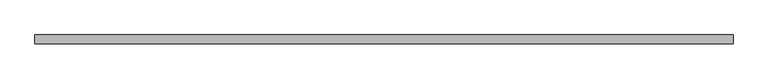
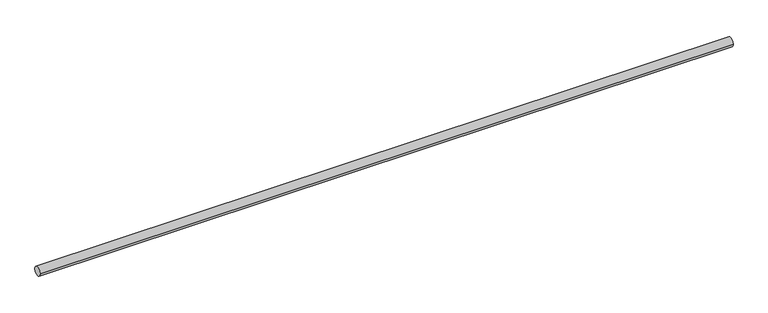
"""IFC4 building model written with IfcOpenShell, lengths in millimetres: proxy geometry."""

from ifc_helpers import new_model, si_unit, point, frame, frame_2d, origin, place, context, project, spatial, circle_curve, trimmed, segment, composite_curve, outline, extrude, source, transform, mapped, element, save


def generic_models_0cc0da8e(model_context):
    return source(origin(), model_context, "Body", "SweptSolid", [
        extrude(outline(composite_curve([segment(trimmed(circle_curve(frame_2d((-5277.3114392, 3909.32)), 17.45), [point((-5294.7614392, 3909.32))], [point((-5259.8614392, 3909.32))], False, "CARTESIAN"), True, "CONTINUOUS"), segment(trimmed(circle_curve(frame_2d((-5277.3114392, 3909.32)), 17.45), [point((-5259.8614392, 3909.32))], [point((-5294.7614392, 3909.32))], False, "CARTESIAN"), True, "CONTINUOUS")], self_intersect=False)), frame((4445.5368349, 0.0, 0.0), z_axis=(1.0, 0.0, 0.0), x_axis=(0.0, 1.0, 0.0)), (0.0, 0.0, 1.0), 2700.0),
    ])


if __name__ == "__main__":
    model = new_model("IFC4")
    model_context = context("Model", 3, world=origin())
    ifc_project = project(units=[si_unit("LENGTHUNIT", "METRE", prefix="MILLI")], contexts=[model_context])
    site = spatial("IfcSite", under=ifc_project)
    building = spatial("IfcBuilding", under=site)
    placement = place(None, origin())
    generic_models_shape = generic_models_0cc0da8e(model_context)
    element("IfcBuildingElementProxy", 1, Name="Generic Models", at=placement, inside=building, context=model_context, shape_type="MappedRepresentation", body=[
        mapped(generic_models_shape, transform((0.0, 0.0, 0.0), x_axis=(1.0, 0.0, 0.0), y_axis=(0.0, 1.0, 0.0), z_axis=(0.0, 0.0, 1.0))),
    ])
    save(model, "model.ifc")
